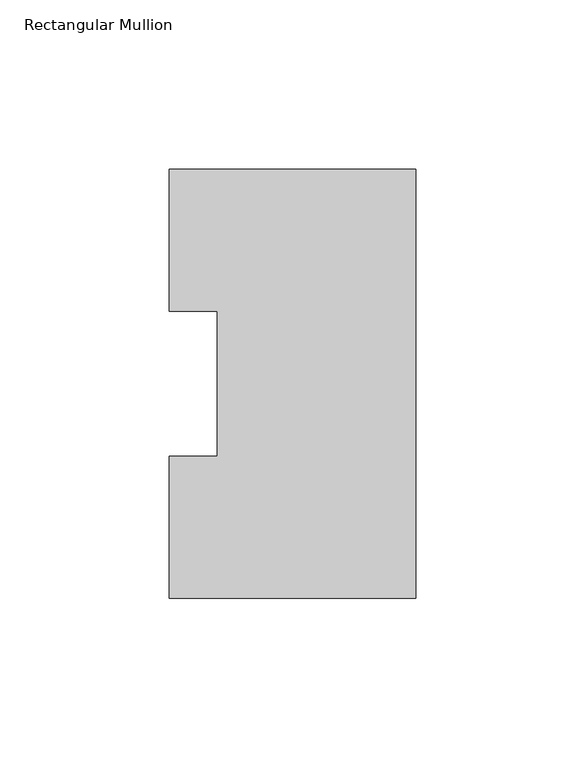
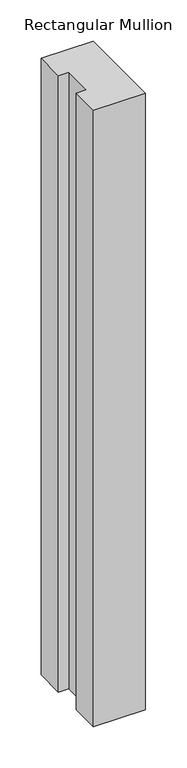
"""IFC4 building model written with IfcOpenShell, lengths in millimetres: member geometry, Rectangular Mullion."""

from ifc_helpers import new_model, si_unit, frame, origin, place, context, project, spatial, polyline, outline, extrude, source, transform, mapped, element, save


def rectangular_mullion_a8412184(model_context):
    return source(origin(), model_context, "Body", "SweptSolid", [
        extrude(outline(polyline([(0.0, 126.7086918), (0.0, -0.2913082), (-73.025, -0.2913082), (-73.025, 41.7837928), (-58.7375, 41.7837928), (-58.7375, 84.6335937), (-73.025, 84.6335937), (-73.025, 126.7086918), (0.0, 126.7086918)])), frame((0.0, 0.0, -914.4), z_axis=(0.0, 0.0, 1.0), x_axis=(1.0, 0.0, 0.0)), (0.0, 0.0, 1.0), 914.4),
    ])


if __name__ == "__main__":
    model = new_model("IFC4")
    model_context = context("Model", 3, world=origin())
    ifc_project = project(units=[si_unit("LENGTHUNIT", "METRE", prefix="MILLI")], contexts=[model_context])
    site = spatial("IfcSite", under=ifc_project)
    building = spatial("IfcBuilding", under=site)
    placement = place(None, origin())
    rectangular_mullion_shape = rectangular_mullion_a8412184(model_context)
    element("IfcMember", 1, ObjectType="Rectangular Mullion", at=placement, inside=building, context=model_context, shape_type="MappedRepresentation", body=[
        mapped(rectangular_mullion_shape, transform((0.0, 0.0, 0.0), x_axis=(1.0, 0.0, 0.0), y_axis=(0.0, 1.0, 0.0), z_axis=(0.0, 0.0, 1.0))),
    ])
    save(model, "model.ifc")
